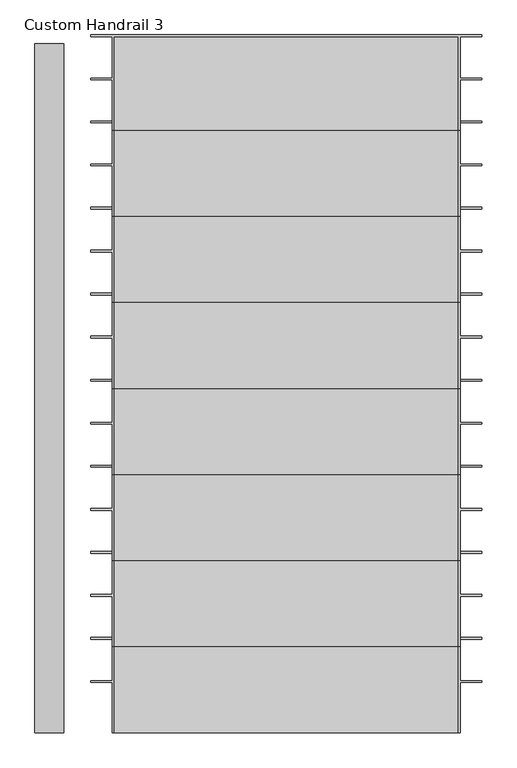
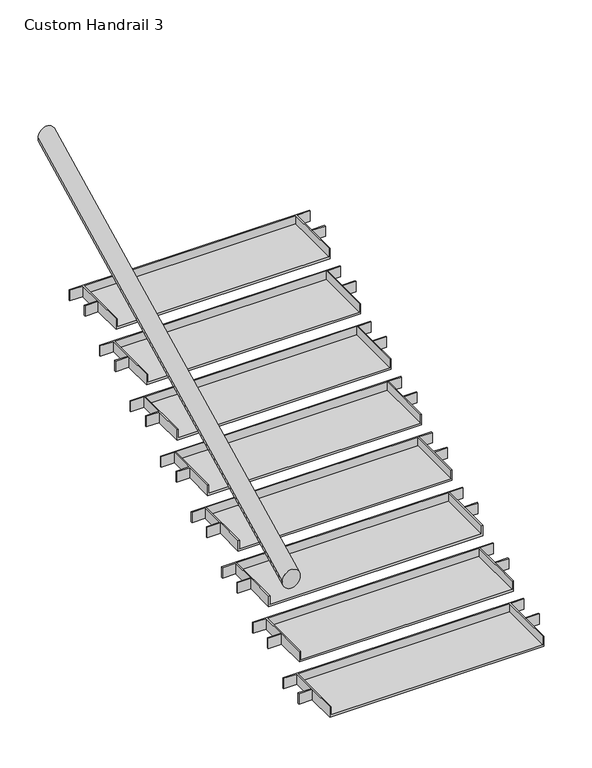
"""IFC4 building model written with IfcOpenShell, lengths in millimetres: railing geometry, Custom Handrail 3."""

import ifcopenshell
import ifcopenshell.guid

model = None  # the IFC model being written
_history = None  # IfcOwnerHistory: only IFC2X3 demands one
_inside = {}  # id of a spatial element -> (the spatial element, [elements in it])
_under = {}  # id of a project, library or spatial element -> (it, [spatial elements below it])
_declared = {}  # id of a project -> (the project, [libraries it declares])
_typed = {}  # id of a type object -> (the type object, [elements of that type])
_made_of = {}  # id of a material, layer set ... -> (it, [elements and type objects made of it])


def new_model(schema):
    """Start an empty IFC model of exactly this schema.

    Asked for "IFC4X3", IfcOpenShell would pick the latest addendum, in which some entities
    have other attributes; the version numbers below select the first issue.
    IFC2X3 requires an IfcOwnerHistory on every rooted entity: one is made here for all.
    """
    global model, _history
    if schema == "IFC4X3":
        model = ifcopenshell.file(schema_version=(4, 3, 0, 0))
    else:
        model = ifcopenshell.file(schema=schema)
    _inside.clear()
    _under.clear()
    _declared.clear()
    _typed.clear()
    _made_of.clear()
    _history = None
    if model.schema == "IFC2X3":
        org = make("IfcOrganization", Name="unknown")
        user = make(
            "IfcPersonAndOrganization",
            ThePerson=make("IfcPerson", FamilyName="unknown"),
            TheOrganization=org,
        )
        app = make(
            "IfcApplication",
            ApplicationDeveloper=org,
            Version="unknown",
            ApplicationFullName="unknown",
            ApplicationIdentifier="unknown",
        )
        _history = make(
            "IfcOwnerHistory",
            OwningUser=user,
            OwningApplication=app,
            ChangeAction="ADDED",
            CreationDate=0,
        )
    return model


def make(cls, **values):
    """One entity of the class cls with the attributes given. An attribute that is None is left unset."""
    return model.create_entity(
        cls, **{name: value for name, value in values.items() if value is not None}
    )


def rooted(cls, **values):
    """An entity with a GlobalId (a new one), such as an element, a storey or a relation."""
    return make(cls, GlobalId=ifcopenshell.guid.new(), OwnerHistory=_history, **values)


def si_unit(unit_type, name, prefix=None):
    """IfcSIUnit, for example si_unit("LENGTHUNIT", "METRE", prefix="MILLI")."""
    return make("IfcSIUnit", UnitType=unit_type, Prefix=prefix, Name=name)


def assignment(units):
    """IfcUnitAssignment: the units of a project."""
    return None if units is None else make("IfcUnitAssignment", Units=units)


def point(xyz):
    """IfcCartesianPoint."""
    return None if xyz is None else make("IfcCartesianPoint", Coordinates=xyz)


def direction(xyz):
    """IfcDirection."""
    return None if xyz is None else make("IfcDirection", DirectionRatios=xyz)


def frame(location, z_axis=None, x_axis=None):
    """IfcAxis2Placement3D, a coordinate frame: its origin and axes. An axis left out is left unset."""
    return make(
        "IfcAxis2Placement3D",
        Location=point(location),
        Axis=direction(z_axis),
        RefDirection=direction(x_axis),
    )


def origin():
    """The frame at (0, 0, 0) with its axes left unset."""
    return frame((0.0, 0.0, 0.0))


def place(relative_to, where):
    """IfcLocalPlacement: puts the frame where relative to a parent placement (None: the world)."""
    return make(
        "IfcLocalPlacement", PlacementRelTo=relative_to, RelativePlacement=where
    )


def context(
    kind, dimensions, precision=None, world=None, true_north=None, identifier=None
):
    """IfcGeometricRepresentationContext, for example the 3D "Model" context."""
    return make(
        "IfcGeometricRepresentationContext",
        ContextIdentifier=identifier,
        ContextType=kind,
        CoordinateSpaceDimension=dimensions,
        Precision=precision,
        WorldCoordinateSystem=world,
        TrueNorth=true_north,
    )


def project(units=None, contexts=None):
    """IfcProject with its units and contexts."""
    return rooted(
        "IfcProject",
        Name="project",
        RepresentationContexts=contexts,
        UnitsInContext=assignment(units),
    )


def spatial(cls, under=None, at=None, **own):
    """A site, building, storey or space (cls), placed at a placement, below another one or the project."""
    s = rooted(cls, ObjectPlacement=at, **own)
    if under is not None:
        _under.setdefault(under.id(), (under, []))[1].append(s)
    return s


def ellipse_curve(where, semi_axis1, semi_axis2):
    """IfcEllipse in the frame where."""
    return make(
        "IfcEllipse", Position=where, SemiAxis1=semi_axis1, SemiAxis2=semi_axis2
    )


def faces_of(points, faces, orient=None, outer=None):
    """IfcFace entities. A face is a list of loops; a loop is a list of indices into points, from 0.

    orient and outer hold one flag for each loop. By default every Orientation is true, the
    first loop of a face is its IfcFaceOuterBound and the others are IfcFaceBound.
    """
    made = []
    for i, loops in enumerate(faces):
        bounds = []
        for j, loop in enumerate(loops):
            is_outer = j == 0 if outer is None else outer[i][j]
            bounds.append(
                make(
                    "IfcFaceOuterBound" if is_outer else "IfcFaceBound",
                    Bound=make("IfcPolyLoop", Polygon=[points[k] for k in loop]),
                    Orientation=True if orient is None else orient[i][j],
                )
            )
        made.append(make("IfcFace", Bounds=bounds))
    return made


def faceted_brep(points, faces, orient=None, outer=None, voids=None):
    """IfcFacetedBrep: a solid bounded by flat faces; with voids (closed shells), ...WithVoids."""
    shared = [point(p) for p in points]
    hull = make("IfcClosedShell", CfsFaces=faces_of(shared, faces, orient, outer))
    if voids is None:
        return make("IfcFacetedBrep", Outer=hull)
    return make(
        "IfcFacetedBrepWithVoids",
        Outer=hull,
        Voids=[
            make(cls, CfsFaces=faces_of(shared, fs, o, b)) for cls, fs, o, b in voids
        ],
    )


def shape(context_of_items, identifier, shape_type, items):
    """IfcShapeRepresentation: the items that make up one representation, for example the "Body"."""
    return make(
        "IfcShapeRepresentation",
        ContextOfItems=context_of_items,
        RepresentationIdentifier=identifier,
        RepresentationType=shape_type,
        Items=items,
    )


def source(mapping_origin, context_of_items, identifier, shape_type, items):
    """IfcRepresentationMap: a shape defined once, which mapped items show again and again."""
    return make(
        "IfcRepresentationMap",
        MappingOrigin=mapping_origin,
        MappedRepresentation=shape(context_of_items, identifier, shape_type, items),
    )


def transform(
    local_origin,
    x_axis=None,
    y_axis=None,
    z_axis=None,
    scale=None,
    scale2=None,
    scale3=None,
    uniform=True,
):
    """IfcCartesianTransformationOperator3D, or its non-uniform kind. x_axis, y_axis, z_axis: its Axis1, 2, 3."""
    if uniform:
        return make(
            "IfcCartesianTransformationOperator3D",
            Axis1=direction(x_axis),
            Axis2=direction(y_axis),
            LocalOrigin=point(local_origin),
            Scale=scale,
            Axis3=direction(z_axis),
        )
    return make(
        "IfcCartesianTransformationOperator3DnonUniform",
        Axis1=direction(x_axis),
        Axis2=direction(y_axis),
        LocalOrigin=point(local_origin),
        Scale=scale,
        Axis3=direction(z_axis),
        Scale2=scale2,
        Scale3=scale3,
    )


def mapped(mapping_source, mapping_target):
    """IfcMappedItem: shows the shape of a source again, moved by a transform."""
    return make(
        "IfcMappedItem", MappingSource=mapping_source, MappingTarget=mapping_target
    )


def made_of(thing, what):
    """Note that an element or type object is made of a material, layer set ...; save() writes the relation."""
    if what is not None:
        _made_of.setdefault(what.id(), (what, []))[1].append(thing)
    return thing


def element(
    cls,
    number,
    at=None,
    inside=None,
    cuts=None,
    type_object=None,
    material=None,
    context=None,
    identifier="Body",
    shape_type=None,
    held_by="IfcProductDefinitionShape",
    body=None,
    shapes=None,
    **own,
):
    """One element of the class cls, such as IfcWall. Its Tag is "e" and its number.

    at: its placement. inside: the storey or other place that contains it. cuts: it is an
    opening in that element (IfcRelVoidsElement). A single representation is given by context,
    identifier, shape_type and body (its items); several are given by shapes. held_by: the class
    of the entity that holds the representations. save() writes the other relations.
    """
    e = rooted(cls, Tag="e%d" % number, ObjectPlacement=at, **own)
    if body is not None:
        shapes = [shape(context, identifier, shape_type, body)]
    if shapes is not None:
        e.Representation = make(held_by, Representations=shapes)
    if inside is not None:
        _inside.setdefault(inside.id(), (inside, []))[1].append(e)
    if cuts is not None:
        rooted(
            "IfcRelVoidsElement", RelatingBuildingElement=cuts, RelatedOpeningElement=e
        )
    if type_object is not None:
        _typed.setdefault(type_object.id(), (type_object, []))[1].append(e)
    return made_of(e, material)


def aggregate(whole, parts):
    """IfcRelAggregates: a whole, such as a stair, and the parts it consists of."""
    return rooted("IfcRelAggregates", RelatingObject=whole, RelatedObjects=parts)


def save(model, path):
    """Write the relations noted so far, then the file.

    IfcRelAggregates (storeys below a building ...), IfcRelContainedInSpatialStructure (elements
    in a storey), IfcRelDefinesByType, IfcRelAssociatesMaterial and IfcRelDeclares: one each for
    every whole, place, type object, material and project.
    """
    for whole, parts in _under.values():
        aggregate(whole, parts)
    for where, things in _inside.values():
        rooted(
            "IfcRelContainedInSpatialStructure",
            RelatedElements=things,
            RelatingStructure=where,
        )
    for kind, things in _typed.values():
        rooted("IfcRelDefinesByType", RelatedObjects=things, RelatingType=kind)
    for what, things in _made_of.values():
        rooted("IfcRelAssociatesMaterial", RelatedObjects=things, RelatingMaterial=what)
    for by, libraries in _declared.values():
        rooted("IfcRelDeclares", RelatingContext=by, RelatedDefinitions=libraries)
    model.write(path)


def plane_surface(at):
    """IfcPlane: the flat surface through the origin of the frame at, square to its z axis."""
    return make("IfcPlane", Position=at)


def cylinder_surface(at, radius):
    """IfcCylindricalSurface: all points at the distance radius from the z axis of the frame at."""
    return make("IfcCylindricalSurface", Position=at, Radius=radius)


def advanced_brep(points, edges, surfaces, faces):
    """IfcAdvancedBrep: a solid bounded by faces that lie on surfaces and meet in shared edges.

    An edge is (start, end): straight between two places in points (the first is 0);
    or (start, end, curve); or (start, end, curve, False) where it runs against its curve.
    A face is (place in surfaces, loops), or (place, loops, False) where it looks against
    its surface's normal. A loop lists edges by number (the first is 1), with a minus sign
    where the edge is run from its end to its start. The first loop is the outer one.
    """
    corners = [point(p) for p in points]
    vertices = [make("IfcVertexPoint", VertexGeometry=c) for c in corners]
    made = []
    for start, end, *more in edges:
        made.append(
            make(
                "IfcEdgeCurve",
                EdgeStart=vertices[start],
                EdgeEnd=vertices[end],
                EdgeGeometry=more[0] if more else make("IfcPolyline", Points=[corners[start], corners[end]]),
                SameSense=more[1] if len(more) > 1 else True,
            )
        )
    hull = []
    for where, loops, *sense in faces:
        bounds = []
        for j, loop in enumerate(loops):
            ring = [make("IfcOrientedEdge", EdgeElement=made[abs(k) - 1], Orientation=k > 0) for k in loop]
            bounds.append(
                make(
                    "IfcFaceOuterBound" if j == 0 else "IfcFaceBound",
                    Bound=make("IfcEdgeLoop", EdgeList=ring),
                    Orientation=True,
                )
            )
        hull.append(make("IfcAdvancedFace", Bounds=bounds, FaceSurface=surfaces[where], SameSense=sense[0] if sense else True))
    return make("IfcAdvancedBrep", Outer=make("IfcClosedShell", CfsFaces=hull))


def custom_handrail_3_a43a484f(model_context):
    return source(origin(), model_context, "Body", "SolidModel", [
        advanced_brep(
        [(-1618.4362637, 5449.8661299, 1010.0038734), (-1516.8362637, 5449.8661299, 1010.0038734), (-1618.4362637, 7888.2661299, 2229.2038734), (-1516.8362637, 7888.2661299, 2229.2038734)],
        [
            (0, 1, ellipse_curve(frame((-1567.6362637, 5449.8661299, 1010.0038734), z_axis=(0.0, -1.0, 0.0), x_axis=(0.0, 0.0, -1.0)), 56.7961266, 50.8)),
            (1, 0, ellipse_curve(frame((-1567.6362637, 5449.8661299, 1010.0038734), z_axis=(0.0, -1.0, 0.0), x_axis=(0.0, 0.0, -1.0)), 56.7961266, 50.8)),
            (2, 3, ellipse_curve(frame((-1567.6362637, 7888.2661299, 2229.2038734), z_axis=(0.0, 1.0, 0.0), x_axis=(0.0, 0.0, -1.0)), 56.7961266, 50.8)),
            (3, 2, ellipse_curve(frame((-1567.6362637, 7888.2661299, 2229.2038734), z_axis=(0.0, 1.0, 0.0), x_axis=(0.0, 0.0, -1.0)), 56.7961266, 50.8)),
            (0, 2),
            (3, 1),
        ],
        [
            plane_surface(frame((-1567.6362637, 5449.8661299, 1066.8), z_axis=(0.0, -1.0, 0.0), x_axis=(0.0, 0.0, 1.0))),
            plane_surface(frame((-1567.6362637, 7888.2661299, 2286.0), z_axis=(0.0, 1.0, 0.0), x_axis=(0.0, 0.0, 1.0))),
            cylinder_surface(frame((-1567.6362637, 5472.5845806, 1021.3630987), z_axis=(0.0, -0.894427190999916, -0.447213595499958), x_axis=(1.0, 0.0, 0.0)), 50.8),
        ],
        [
            (0, [[1, 2]]),
            (1, [[3, 4]]),
            (2, [[-1, 5, -4, 6]]),
            (2, [[-2, -6, -3, -5]]),
        ],
    ),
        faceted_brep([(-113.4862637, 7583.4661299, 1219.2), (-119.8362637, 7583.4661299, 1219.2), (-119.8362637, 7583.4661299, 1168.4), (-1339.0362637, 7583.4661299, 1168.4), (-1339.0362637, 7583.4661299, 1219.2), (-1345.3862637, 7583.4661299, 1219.2), (-1345.3862637, 7583.4661299, 1155.7), (-113.4862637, 7583.4661299, 1155.7), (-113.4862637, 7761.2661299, 1155.7), (-113.4862637, 7761.2661299, 1219.2), (-113.4862637, 7913.6661299, 1219.2), (-113.4862637, 7767.6161299, 1219.2), (-113.4862637, 7767.6161299, 1155.7), (-113.4862637, 7913.6661299, 1155.7), (-37.2862637, 7761.2661299, 1219.2), (-37.2862637, 7767.6161299, 1219.2), (-37.2862637, 7913.6661299, 1219.2), (-37.2862637, 7920.0161299, 1219.2), (-1421.5862637, 7920.0161299, 1219.2), (-1421.5862637, 7913.6661299, 1219.2), (-1345.3862637, 7913.6661299, 1219.2), (-1345.3862637, 7767.6161299, 1219.2), (-1421.5862637, 7767.6161299, 1219.2), (-1421.5862637, 7761.2661299, 1219.2), (-1345.3862637, 7761.2661299, 1219.2), (-1339.0362637, 7913.6661299, 1219.2), (-119.8362637, 7913.6661299, 1219.2), (-119.8362637, 7913.6661299, 1168.4), (-37.2862637, 7920.0161299, 1155.7), (-1421.5862637, 7920.0161299, 1155.7), (-1339.0362637, 7913.6661299, 1168.4), (-1345.3862637, 7761.2661299, 1155.7), (-1345.3862637, 7913.6661299, 1155.7), (-1345.3862637, 7767.6161299, 1155.7), (-1421.5862637, 7761.2661299, 1155.7), (-1421.5862637, 7767.6161299, 1155.7), (-1421.5862637, 7913.6661299, 1155.7), (-37.2862637, 7913.6661299, 1155.7), (-37.2862637, 7767.6161299, 1155.7), (-37.2862637, 7761.2661299, 1155.7)], [[[0, 1, 2, 3, 4, 5, 6, 7]], [[0, 7, 8, 9]], [[10, 11, 12, 13]], [[1, 0, 9, 14, 15, 11, 10, 16, 17, 18, 19, 20, 21, 22, 23, 24, 5, 4, 25, 26]], [[2, 1, 26, 27]], [[18, 17, 28, 29]], [[26, 25, 30, 27]], [[6, 5, 24, 31]], [[21, 20, 32, 33]], [[25, 4, 3, 30]], [[3, 2, 27, 30]], [[7, 6, 31, 34, 35, 33, 32, 36, 29, 28, 37, 13, 12, 38, 39, 8]], [[19, 18, 29, 36]], [[20, 19, 36, 32]], [[23, 22, 35, 34]], [[24, 23, 34, 31]], [[22, 21, 33, 35]], [[16, 10, 13, 37]], [[17, 16, 37, 28]], [[11, 15, 38, 12]], [[14, 9, 8, 39]], [[15, 14, 39, 38]]]),
        faceted_brep([(-113.4862637, 7278.6661299, 1066.8), (-119.8362637, 7278.6661299, 1066.8), (-119.8362637, 7278.6661299, 1016.0), (-1339.0362637, 7278.6661299, 1016.0), (-1339.0362637, 7278.6661299, 1066.8), (-1345.3862637, 7278.6661299, 1066.8), (-1345.3862637, 7278.6661299, 1003.3), (-113.4862637, 7278.6661299, 1003.3), (-113.4862637, 7456.4661299, 1003.3), (-113.4862637, 7456.4661299, 1066.8), (-113.4862637, 7608.8661299, 1066.8), (-113.4862637, 7462.8161299, 1066.8), (-113.4862637, 7462.8161299, 1003.3), (-113.4862637, 7608.8661299, 1003.3), (-37.2862637, 7456.4661299, 1066.8), (-37.2862637, 7462.8161299, 1066.8), (-37.2862637, 7608.8661299, 1066.8), (-37.2862637, 7615.2161299, 1066.8), (-1421.5862637, 7615.2161299, 1066.8), (-1421.5862637, 7608.8661299, 1066.8), (-1345.3862637, 7608.8661299, 1066.8), (-1345.3862637, 7462.8161299, 1066.8), (-1421.5862637, 7462.8161299, 1066.8), (-1421.5862637, 7456.4661299, 1066.8), (-1345.3862637, 7456.4661299, 1066.8), (-1339.0362637, 7608.8661299, 1066.8), (-119.8362637, 7608.8661299, 1066.8), (-119.8362637, 7608.8661299, 1016.0), (-37.2862637, 7615.2161299, 1003.3), (-1421.5862637, 7615.2161299, 1003.3), (-1339.0362637, 7608.8661299, 1016.0), (-1345.3862637, 7456.4661299, 1003.3), (-1345.3862637, 7608.8661299, 1003.3), (-1345.3862637, 7462.8161299, 1003.3), (-1421.5862637, 7456.4661299, 1003.3), (-1421.5862637, 7462.8161299, 1003.3), (-1421.5862637, 7608.8661299, 1003.3), (-37.2862637, 7608.8661299, 1003.3), (-37.2862637, 7462.8161299, 1003.3), (-37.2862637, 7456.4661299, 1003.3)], [[[0, 1, 2, 3, 4, 5, 6, 7]], [[0, 7, 8, 9]], [[10, 11, 12, 13]], [[1, 0, 9, 14, 15, 11, 10, 16, 17, 18, 19, 20, 21, 22, 23, 24, 5, 4, 25, 26]], [[2, 1, 26, 27]], [[18, 17, 28, 29]], [[26, 25, 30, 27]], [[6, 5, 24, 31]], [[21, 20, 32, 33]], [[25, 4, 3, 30]], [[3, 2, 27, 30]], [[7, 6, 31, 34, 35, 33, 32, 36, 29, 28, 37, 13, 12, 38, 39, 8]], [[19, 18, 29, 36]], [[20, 19, 36, 32]], [[23, 22, 35, 34]], [[24, 23, 34, 31]], [[22, 21, 33, 35]], [[16, 10, 13, 37]], [[17, 16, 37, 28]], [[11, 15, 38, 12]], [[14, 9, 8, 39]], [[15, 14, 39, 38]]]),
        faceted_brep([(-113.4862637, 6973.8661299, 914.4), (-119.8362637, 6973.8661299, 914.4), (-119.8362637, 6973.8661299, 863.6), (-1339.0362637, 6973.8661299, 863.6), (-1339.0362637, 6973.8661299, 914.4), (-1345.3862637, 6973.8661299, 914.4), (-1345.3862637, 6973.8661299, 850.9), (-113.4862637, 6973.8661299, 850.9), (-113.4862637, 7151.6661299, 850.9), (-113.4862637, 7151.6661299, 914.4), (-113.4862637, 7304.0661299, 914.4), (-113.4862637, 7158.0161299, 914.4), (-113.4862637, 7158.0161299, 850.9), (-113.4862637, 7304.0661299, 850.9), (-37.2862637, 7151.6661299, 914.4), (-37.2862637, 7158.0161299, 914.4), (-37.2862637, 7304.0661299, 914.4), (-37.2862637, 7310.4161299, 914.4), (-1421.5862637, 7310.4161299, 914.4), (-1421.5862637, 7304.0661299, 914.4), (-1345.3862637, 7304.0661299, 914.4), (-1345.3862637, 7158.0161299, 914.4), (-1421.5862637, 7158.0161299, 914.4), (-1421.5862637, 7151.6661299, 914.4), (-1345.3862637, 7151.6661299, 914.4), (-1339.0362637, 7304.0661299, 914.4), (-119.8362637, 7304.0661299, 914.4), (-119.8362637, 7304.0661299, 863.6), (-37.2862637, 7310.4161299, 850.9), (-1421.5862637, 7310.4161299, 850.9), (-1339.0362637, 7304.0661299, 863.6), (-1345.3862637, 7151.6661299, 850.9), (-1345.3862637, 7304.0661299, 850.9), (-1345.3862637, 7158.0161299, 850.9), (-1421.5862637, 7151.6661299, 850.9), (-1421.5862637, 7158.0161299, 850.9), (-1421.5862637, 7304.0661299, 850.9), (-37.2862637, 7304.0661299, 850.9), (-37.2862637, 7158.0161299, 850.9), (-37.2862637, 7151.6661299, 850.9)], [[[0, 1, 2, 3, 4, 5, 6, 7]], [[0, 7, 8, 9]], [[10, 11, 12, 13]], [[1, 0, 9, 14, 15, 11, 10, 16, 17, 18, 19, 20, 21, 22, 23, 24, 5, 4, 25, 26]], [[2, 1, 26, 27]], [[18, 17, 28, 29]], [[26, 25, 30, 27]], [[6, 5, 24, 31]], [[21, 20, 32, 33]], [[25, 4, 3, 30]], [[3, 2, 27, 30]], [[7, 6, 31, 34, 35, 33, 32, 36, 29, 28, 37, 13, 12, 38, 39, 8]], [[19, 18, 29, 36]], [[20, 19, 36, 32]], [[23, 22, 35, 34]], [[24, 23, 34, 31]], [[22, 21, 33, 35]], [[16, 10, 13, 37]], [[17, 16, 37, 28]], [[11, 15, 38, 12]], [[14, 9, 8, 39]], [[15, 14, 39, 38]]]),
        faceted_brep([(-113.4862637, 6669.0661299, 762.0), (-119.8362637, 6669.0661299, 762.0), (-119.8362637, 6669.0661299, 711.2), (-1339.0362637, 6669.0661299, 711.2), (-1339.0362637, 6669.0661299, 762.0), (-1345.3862637, 6669.0661299, 762.0), (-1345.3862637, 6669.0661299, 698.5), (-113.4862637, 6669.0661299, 698.5), (-113.4862637, 6846.8661299, 698.5), (-113.4862637, 6846.8661299, 762.0), (-113.4862637, 6999.2661299, 762.0), (-113.4862637, 6853.2161299, 762.0), (-113.4862637, 6853.2161299, 698.5), (-113.4862637, 6999.2661299, 698.5), (-37.2862637, 6846.8661299, 762.0), (-37.2862637, 6853.2161299, 762.0), (-37.2862637, 6999.2661299, 762.0), (-37.2862637, 7005.6161299, 762.0), (-1421.5862637, 7005.6161299, 762.0), (-1421.5862637, 6999.2661299, 762.0), (-1345.3862637, 6999.2661299, 762.0), (-1345.3862637, 6853.2161299, 762.0), (-1421.5862637, 6853.2161299, 762.0), (-1421.5862637, 6846.8661299, 762.0), (-1345.3862637, 6846.8661299, 762.0), (-1339.0362637, 6999.2661299, 762.0), (-119.8362637, 6999.2661299, 762.0), (-119.8362637, 6999.2661299, 711.2), (-37.2862637, 7005.6161299, 698.5), (-1421.5862637, 7005.6161299, 698.5), (-1339.0362637, 6999.2661299, 711.2), (-1345.3862637, 6846.8661299, 698.5), (-1345.3862637, 6999.2661299, 698.5), (-1345.3862637, 6853.2161299, 698.5), (-1421.5862637, 6846.8661299, 698.5), (-1421.5862637, 6853.2161299, 698.5), (-1421.5862637, 6999.2661299, 698.5), (-37.2862637, 6999.2661299, 698.5), (-37.2862637, 6853.2161299, 698.5), (-37.2862637, 6846.8661299, 698.5)], [[[0, 1, 2, 3, 4, 5, 6, 7]], [[0, 7, 8, 9]], [[10, 11, 12, 13]], [[1, 0, 9, 14, 15, 11, 10, 16, 17, 18, 19, 20, 21, 22, 23, 24, 5, 4, 25, 26]], [[2, 1, 26, 27]], [[18, 17, 28, 29]], [[26, 25, 30, 27]], [[6, 5, 24, 31]], [[21, 20, 32, 33]], [[25, 4, 3, 30]], [[3, 2, 27, 30]], [[7, 6, 31, 34, 35, 33, 32, 36, 29, 28, 37, 13, 12, 38, 39, 8]], [[19, 18, 29, 36]], [[20, 19, 36, 32]], [[23, 22, 35, 34]], [[24, 23, 34, 31]], [[22, 21, 33, 35]], [[16, 10, 13, 37]], [[17, 16, 37, 28]], [[11, 15, 38, 12]], [[14, 9, 8, 39]], [[15, 14, 39, 38]]]),
        faceted_brep([(-113.4862637, 6364.2661299, 609.6), (-119.8362637, 6364.2661299, 609.6), (-119.8362637, 6364.2661299, 558.8), (-1339.0362637, 6364.2661299, 558.8), (-1339.0362637, 6364.2661299, 609.6), (-1345.3862637, 6364.2661299, 609.6), (-1345.3862637, 6364.2661299, 546.1), (-113.4862637, 6364.2661299, 546.1), (-113.4862637, 6542.0661299, 546.1), (-113.4862637, 6542.0661299, 609.6), (-113.4862637, 6694.4661299, 609.6), (-113.4862637, 6548.4161299, 609.6), (-113.4862637, 6548.4161299, 546.1), (-113.4862637, 6694.4661299, 546.1), (-37.2862637, 6542.0661299, 609.6), (-37.2862637, 6548.4161299, 609.6), (-37.2862637, 6694.4661299, 609.6), (-37.2862637, 6700.8161299, 609.6), (-1421.5862637, 6700.8161299, 609.6), (-1421.5862637, 6694.4661299, 609.6), (-1345.3862637, 6694.4661299, 609.6), (-1345.3862637, 6548.4161299, 609.6), (-1421.5862637, 6548.4161299, 609.6), (-1421.5862637, 6542.0661299, 609.6), (-1345.3862637, 6542.0661299, 609.6), (-1339.0362637, 6694.4661299, 609.6), (-119.8362637, 6694.4661299, 609.6), (-119.8362637, 6694.4661299, 558.8), (-37.2862637, 6700.8161299, 546.1), (-1421.5862637, 6700.8161299, 546.1), (-1339.0362637, 6694.4661299, 558.8), (-1345.3862637, 6542.0661299, 546.1), (-1345.3862637, 6694.4661299, 546.1), (-1345.3862637, 6548.4161299, 546.1), (-1421.5862637, 6542.0661299, 546.1), (-1421.5862637, 6548.4161299, 546.1), (-1421.5862637, 6694.4661299, 546.1), (-37.2862637, 6694.4661299, 546.1), (-37.2862637, 6548.4161299, 546.1), (-37.2862637, 6542.0661299, 546.1)], [[[0, 1, 2, 3, 4, 5, 6, 7]], [[0, 7, 8, 9]], [[10, 11, 12, 13]], [[1, 0, 9, 14, 15, 11, 10, 16, 17, 18, 19, 20, 21, 22, 23, 24, 5, 4, 25, 26]], [[2, 1, 26, 27]], [[18, 17, 28, 29]], [[26, 25, 30, 27]], [[6, 5, 24, 31]], [[21, 20, 32, 33]], [[25, 4, 3, 30]], [[3, 2, 27, 30]], [[7, 6, 31, 34, 35, 33, 32, 36, 29, 28, 37, 13, 12, 38, 39, 8]], [[19, 18, 29, 36]], [[20, 19, 36, 32]], [[23, 22, 35, 34]], [[24, 23, 34, 31]], [[22, 21, 33, 35]], [[16, 10, 13, 37]], [[17, 16, 37, 28]], [[11, 15, 38, 12]], [[14, 9, 8, 39]], [[15, 14, 39, 38]]]),
        faceted_brep([(-113.4862637, 6059.4661299, 457.2), (-119.8362637, 6059.4661299, 457.2), (-119.8362637, 6059.4661299, 406.4), (-1339.0362637, 6059.4661299, 406.4), (-1339.0362637, 6059.4661299, 457.2), (-1345.3862637, 6059.4661299, 457.2), (-1345.3862637, 6059.4661299, 393.7), (-113.4862637, 6059.4661299, 393.7), (-113.4862637, 6237.2661299, 393.7), (-113.4862637, 6237.2661299, 457.2), (-113.4862637, 6389.6661299, 457.2), (-113.4862637, 6243.6161299, 457.2), (-113.4862637, 6243.6161299, 393.7), (-113.4862637, 6389.6661299, 393.7), (-37.2862637, 6237.2661299, 457.2), (-37.2862637, 6243.6161299, 457.2), (-37.2862637, 6389.6661299, 457.2), (-37.2862637, 6396.0161299, 457.2), (-1421.5862637, 6396.0161299, 457.2), (-1421.5862637, 6389.6661299, 457.2), (-1345.3862637, 6389.6661299, 457.2), (-1345.3862637, 6243.6161299, 457.2), (-1421.5862637, 6243.6161299, 457.2), (-1421.5862637, 6237.2661299, 457.2), (-1345.3862637, 6237.2661299, 457.2), (-1339.0362637, 6389.6661299, 457.2), (-119.8362637, 6389.6661299, 457.2), (-119.8362637, 6389.6661299, 406.4), (-37.2862637, 6396.0161299, 393.7), (-1421.5862637, 6396.0161299, 393.7), (-1339.0362637, 6389.6661299, 406.4), (-1345.3862637, 6237.2661299, 393.7), (-1345.3862637, 6389.6661299, 393.7), (-1345.3862637, 6243.6161299, 393.7), (-1421.5862637, 6237.2661299, 393.7), (-1421.5862637, 6243.6161299, 393.7), (-1421.5862637, 6389.6661299, 393.7), (-37.2862637, 6389.6661299, 393.7), (-37.2862637, 6243.6161299, 393.7), (-37.2862637, 6237.2661299, 393.7)], [[[0, 1, 2, 3, 4, 5, 6, 7]], [[0, 7, 8, 9]], [[10, 11, 12, 13]], [[1, 0, 9, 14, 15, 11, 10, 16, 17, 18, 19, 20, 21, 22, 23, 24, 5, 4, 25, 26]], [[2, 1, 26, 27]], [[18, 17, 28, 29]], [[26, 25, 30, 27]], [[6, 5, 24, 31]], [[21, 20, 32, 33]], [[25, 4, 3, 30]], [[3, 2, 27, 30]], [[7, 6, 31, 34, 35, 33, 32, 36, 29, 28, 37, 13, 12, 38, 39, 8]], [[19, 18, 29, 36]], [[20, 19, 36, 32]], [[23, 22, 35, 34]], [[24, 23, 34, 31]], [[22, 21, 33, 35]], [[16, 10, 13, 37]], [[17, 16, 37, 28]], [[11, 15, 38, 12]], [[14, 9, 8, 39]], [[15, 14, 39, 38]]]),
        faceted_brep([(-113.4862637, 5754.6661299, 304.8), (-119.8362637, 5754.6661299, 304.8), (-119.8362637, 5754.6661299, 254.0), (-1339.0362637, 5754.6661299, 254.0), (-1339.0362637, 5754.6661299, 304.8), (-1345.3862637, 5754.6661299, 304.8), (-1345.3862637, 5754.6661299, 241.3), (-113.4862637, 5754.6661299, 241.3), (-113.4862637, 5932.4661299, 241.3), (-113.4862637, 5932.4661299, 304.8), (-113.4862637, 6084.8661299, 304.8), (-113.4862637, 5938.8161299, 304.8), (-113.4862637, 5938.8161299, 241.3), (-113.4862637, 6084.8661299, 241.3), (-37.2862637, 5932.4661299, 304.8), (-37.2862637, 5938.8161299, 304.8), (-37.2862637, 6084.8661299, 304.8), (-37.2862637, 6091.2161299, 304.8), (-1421.5862637, 6091.2161299, 304.8), (-1421.5862637, 6084.8661299, 304.8), (-1345.3862637, 6084.8661299, 304.8), (-1345.3862637, 5938.8161299, 304.8), (-1421.5862637, 5938.8161299, 304.8), (-1421.5862637, 5932.4661299, 304.8), (-1345.3862637, 5932.4661299, 304.8), (-1339.0362637, 6084.8661299, 304.8), (-119.8362637, 6084.8661299, 304.8), (-119.8362637, 6084.8661299, 254.0), (-37.2862637, 6091.2161299, 241.3), (-1421.5862637, 6091.2161299, 241.3), (-1339.0362637, 6084.8661299, 254.0), (-1345.3862637, 5932.4661299, 241.3), (-1345.3862637, 6084.8661299, 241.3), (-1345.3862637, 5938.8161299, 241.3), (-1421.5862637, 5932.4661299, 241.3), (-1421.5862637, 5938.8161299, 241.3), (-1421.5862637, 6084.8661299, 241.3), (-37.2862637, 6084.8661299, 241.3), (-37.2862637, 5938.8161299, 241.3), (-37.2862637, 5932.4661299, 241.3)], [[[0, 1, 2, 3, 4, 5, 6, 7]], [[0, 7, 8, 9]], [[10, 11, 12, 13]], [[1, 0, 9, 14, 15, 11, 10, 16, 17, 18, 19, 20, 21, 22, 23, 24, 5, 4, 25, 26]], [[2, 1, 26, 27]], [[18, 17, 28, 29]], [[26, 25, 30, 27]], [[6, 5, 24, 31]], [[21, 20, 32, 33]], [[25, 4, 3, 30]], [[3, 2, 27, 30]], [[7, 6, 31, 34, 35, 33, 32, 36, 29, 28, 37, 13, 12, 38, 39, 8]], [[19, 18, 29, 36]], [[20, 19, 36, 32]], [[23, 22, 35, 34]], [[24, 23, 34, 31]], [[22, 21, 33, 35]], [[16, 10, 13, 37]], [[17, 16, 37, 28]], [[11, 15, 38, 12]], [[14, 9, 8, 39]], [[15, 14, 39, 38]]]),
        faceted_brep([(-113.4862637, 5449.8661299, 152.4), (-119.8362637, 5449.8661299, 152.4), (-119.8362637, 5449.8661299, 101.6), (-1339.0362637, 5449.8661299, 101.6), (-1339.0362637, 5449.8661299, 152.4), (-1345.3862637, 5449.8661299, 152.4), (-1345.3862637, 5449.8661299, 88.9), (-113.4862637, 5449.8661299, 88.9), (-113.4862637, 5627.6661299, 88.9), (-113.4862637, 5627.6661299, 152.4), (-113.4862637, 5780.0661299, 152.4), (-113.4862637, 5634.0161299, 152.4), (-113.4862637, 5634.0161299, 88.9), (-113.4862637, 5780.0661299, 88.9), (-37.2862637, 5627.6661299, 152.4), (-37.2862637, 5634.0161299, 152.4), (-37.2862637, 5780.0661299, 152.4), (-37.2862637, 5786.4161299, 152.4), (-1421.5862637, 5786.4161299, 152.4), (-1421.5862637, 5780.0661299, 152.4), (-1345.3862637, 5780.0661299, 152.4), (-1345.3862637, 5634.0161299, 152.4), (-1421.5862637, 5634.0161299, 152.4), (-1421.5862637, 5627.6661299, 152.4), (-1345.3862637, 5627.6661299, 152.4), (-1339.0362637, 5780.0661299, 152.4), (-119.8362637, 5780.0661299, 152.4), (-119.8362637, 5780.0661299, 101.6), (-37.2862637, 5786.4161299, 88.9), (-1421.5862637, 5786.4161299, 88.9), (-1339.0362637, 5780.0661299, 101.6), (-1345.3862637, 5627.6661299, 88.9), (-1345.3862637, 5780.0661299, 88.9), (-1345.3862637, 5634.0161299, 88.9), (-1421.5862637, 5627.6661299, 88.9), (-1421.5862637, 5634.0161299, 88.9), (-1421.5862637, 5780.0661299, 88.9), (-37.2862637, 5780.0661299, 88.9), (-37.2862637, 5634.0161299, 88.9), (-37.2862637, 5627.6661299, 88.9)], [[[0, 1, 2, 3, 4, 5, 6, 7]], [[0, 7, 8, 9]], [[10, 11, 12, 13]], [[1, 0, 9, 14, 15, 11, 10, 16, 17, 18, 19, 20, 21, 22, 23, 24, 5, 4, 25, 26]], [[2, 1, 26, 27]], [[18, 17, 28, 29]], [[26, 25, 30, 27]], [[6, 5, 24, 31]], [[21, 20, 32, 33]], [[25, 4, 3, 30]], [[3, 2, 27, 30]], [[7, 6, 31, 34, 35, 33, 32, 36, 29, 28, 37, 13, 12, 38, 39, 8]], [[19, 18, 29, 36]], [[20, 19, 36, 32]], [[23, 22, 35, 34]], [[24, 23, 34, 31]], [[22, 21, 33, 35]], [[16, 10, 13, 37]], [[17, 16, 37, 28]], [[11, 15, 38, 12]], [[14, 9, 8, 39]], [[15, 14, 39, 38]]]),
    ])


if __name__ == "__main__":
    model = new_model("IFC4")
    model_context = context("Model", 3, world=origin())
    ifc_project = project(units=[si_unit("LENGTHUNIT", "METRE", prefix="MILLI")], contexts=[model_context])
    site = spatial("IfcSite", under=ifc_project)
    building = spatial("IfcBuilding", under=site)
    placement = place(None, origin())
    custom_handrail_3_shape = custom_handrail_3_a43a484f(model_context)
    element("IfcRailing", 1, ObjectType="Custom Handrail 3", at=placement, inside=building, context=model_context, shape_type="MappedRepresentation", body=[
        mapped(custom_handrail_3_shape, transform((0.0, 0.0, 0.0), x_axis=(1.0, 0.0, 0.0), y_axis=(0.0, 1.0, 0.0), z_axis=(0.0, 0.0, 1.0))),
    ])
    save(model, "model.ifc")
